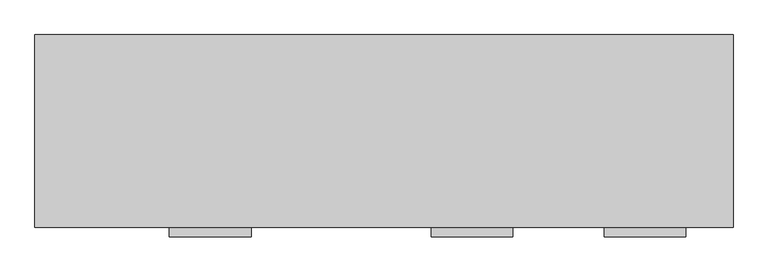
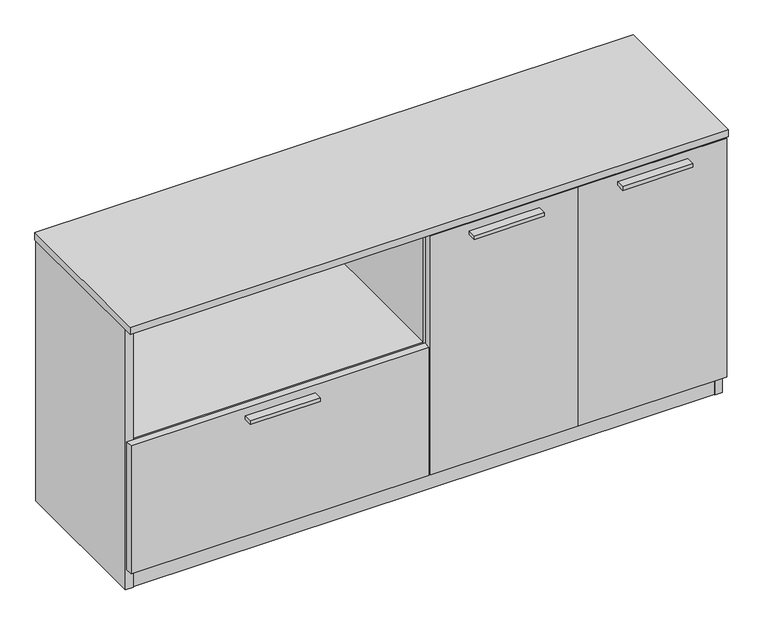
"""IFC4 building model written with IfcOpenShell, lengths in millimetres: furniture geometry."""

from ifc_helpers import new_model, si_unit, point, frame, frame_2d, origin, origin_with_axes, place, context, project, spatial, polyline, circle_curve, trimmed, segment, composite_curve, outline, extrude, source, transform, mapped, element, save


def furniture_f8c2cde9(model_context):
    return source(origin(), model_context, "Body", "SweptSolid", [
        extrude(outline(polyline([(469.8365, -447.8158592), (292.0365, -447.8158592), (292.0365, -425.5908592), (469.8365, -425.5908592), (469.8365, -447.8158592)])), frame((0.0, 0.0, 373.51208), z_axis=(0.0, 0.0, 1.0), x_axis=(1.0, 0.0, 0.0)), (0.0, 0.0, 1.0), 9.525),
        extrude(outline(polyline([(1038.9235, -447.8158592), (861.1235, -447.8158592), (861.1235, -425.5908592), (1038.9235, -425.5908592), (1038.9235, -447.8158592)])), frame((0.0, 0.0, 671.5125152), z_axis=(0.0, 0.0, 1.0), x_axis=(1.0, 0.0, 0.0)), (0.0, 0.0, 1.0), 9.525),
        extrude(outline(polyline([(1415.2245, -447.8158592), (1237.4245, -447.8158592), (1237.4245, -425.5908592), (1415.2245, -425.5908592), (1415.2245, -447.8158592)])), frame((0.0, 0.0, 671.5125152), z_axis=(0.0, 0.0, 1.0), x_axis=(1.0, 0.0, 0.0)), (0.0, 0.0, 1.0), 9.525),
        extrude(outline(composite_curve([segment(trimmed(circle_curve(frame_2d((758.825, -217.6283713)), 4.445), [point((763.27, -217.6283713))], [point((754.38, -217.6283713))], False, "CARTESIAN"), True, "CONTINUOUS"), segment(trimmed(circle_curve(frame_2d((758.825, -217.6283713)), 4.445), [point((754.38, -217.6283713))], [point((763.27, -217.6283713))], False, "CARTESIAN"), True, "CONTINUOUS")], self_intersect=False)), frame((0.0, 0.0, 7.112), z_axis=(0.0, 0.0, 1.0), x_axis=(1.0, 0.0, 0.0)), (0.0, 0.0, 1.0), 2.032),
        extrude(outline(polyline([(764.5122187, -207.7297009), (770.2272187, -217.6283713), (764.5122187, -227.5270417), (753.0822187, -227.5270417), (747.3672187, -217.6283713), (753.0822187, -207.7297009), (764.5122187, -207.7297009)])), origin_with_axes(), (0.0, 0.0, 1.0), 9.144),
        extrude(outline(composite_curve([segment(trimmed(circle_curve(frame_2d((720.598, -246.2033713)), 3.175), [point((720.598, -249.3783713))], [point((717.423, -246.2033713))], False, "CARTESIAN"), True, "CONTINUOUS"), segment(polyline([(717.423, -246.2033713), (717.423, -189.0533713)]), True, "CONTINUOUS"), segment(trimmed(circle_curve(frame_2d((720.598, -189.0533713)), 3.175), [point((717.423, -189.0533713))], [point((720.598, -185.8783713))], False, "CARTESIAN"), True, "CONTINUOUS"), segment(polyline([(720.598, -185.8783713), (797.052, -185.8783713)]), True, "CONTINUOUS"), segment(trimmed(circle_curve(frame_2d((797.052, -189.0533713)), 3.175), [point((797.052, -185.8783713))], [point((800.227, -189.0533713))], False, "CARTESIAN"), True, "CONTINUOUS"), segment(polyline([(800.227, -189.0533713), (800.227, -246.2033713)]), True, "CONTINUOUS"), segment(trimmed(circle_curve(frame_2d((797.052, -246.2033713)), 3.175), [point((800.227, -246.2033713))], [point((797.052, -249.3783713))], False, "CARTESIAN"), True, "CONTINUOUS"), segment(polyline([(797.052, -249.3783713), (720.598, -249.3783713)]), True, "CONTINUOUS")], self_intersect=False)), frame((0.0, 0.0, 58.3692), z_axis=(0.0, 0.0, 1.0), x_axis=(1.0, 0.0, 0.0)), (0.0, 0.0, 1.0), 1.89738),
        extrude(outline(composite_curve([segment(polyline([(770.255, -230.3283713), (747.395, -230.3283713)]), True, "CONTINUOUS"), segment(trimmed(circle_curve(frame_2d((747.395, -229.0583713)), 1.27), [point((747.395, -230.3283713))], [point((746.125, -229.0583713))], False, "CARTESIAN"), True, "CONTINUOUS"), segment(polyline([(746.125, -229.0583713), (746.125, -206.1983713)]), True, "CONTINUOUS"), segment(trimmed(circle_curve(frame_2d((747.395, -206.1983713)), 1.27), [point((746.125, -206.1983713))], [point((747.395, -204.9283713))], False, "CARTESIAN"), True, "CONTINUOUS"), segment(polyline([(747.395, -204.9283713), (770.255, -204.9283713)]), True, "CONTINUOUS"), segment(trimmed(circle_curve(frame_2d((770.255, -206.1983713)), 1.27), [point((770.255, -204.9283713))], [point((771.525, -206.1983713))], False, "CARTESIAN"), True, "CONTINUOUS"), segment(polyline([(771.525, -206.1983713), (771.525, -229.0583713)]), True, "CONTINUOUS"), segment(trimmed(circle_curve(frame_2d((770.255, -229.0583713)), 1.27), [point((771.525, -229.0583713))], [point((770.255, -230.3283713))], False, "CARTESIAN"), True, "CONTINUOUS")], self_intersect=False)), frame((0.0, 0.0, 9.144), z_axis=(0.0, 0.0, 1.0), x_axis=(1.0, 0.0, 0.0)), (0.0, 0.0, 1.0), 49.2252),
        extrude(outline(polyline([(1455.3192022, -345.6355984), (1471.26706, -336.4280984), (1487.2149178, -345.6355984), (1487.2149178, -364.0505984), (1471.26706, -373.2580984), (1455.3192022, -364.0505984), (1455.3192022, -345.6355984)])), origin_with_axes(), (0.0, 0.0, 1.0), 9.144),
        extrude(outline(polyline([(1455.3192022, -47.1181713), (1471.26706, -37.9106713), (1487.2149178, -47.1181713), (1487.2149178, -65.5331713), (1471.26706, -74.7406713), (1455.3192022, -65.5331713), (1455.3192022, -47.1181713)])), origin_with_axes(), (0.0, 0.0, 1.0), 9.144),
        extrude(outline(polyline([(30.4350822, -345.6355984), (46.38294, -336.4280984), (62.3307978, -345.6355984), (62.3307978, -364.0505984), (46.38294, -373.2580984), (30.4350822, -364.0505984), (30.4350822, -345.6355984)])), origin_with_axes(), (0.0, 0.0, 1.0), 9.144),
        extrude(outline(polyline([(30.4350822, -47.1181713), (46.38294, -37.9106713), (62.3307978, -47.1181713), (62.3307978, -65.5331713), (46.38294, -74.7406713), (30.4350822, -65.5331713), (30.4350822, -47.1181713)])), origin_with_axes(), (0.0, 0.0, 1.0), 9.144),
        extrude(outline(polyline([(1138.174, -406.2868776), (1514.475, -406.2868776), (1514.475, -425.5908592), (1138.174, -425.5908592), (1138.174, -406.2868776)])), frame((0.0, 0.0, 60.26658), z_axis=(0.0, 0.0, 1.0), x_axis=(1.0, 0.0, 0.0)), (0.0, 0.0, 1.0), 641.4084352),
        extrude(outline(polyline([(3.175, -406.2868776), (758.698, -406.2868776), (758.698, -425.5908592), (3.175, -425.5908592), (3.175, -406.2868776)])), frame((0.0, 0.0, 60.26658), z_axis=(0.0, 0.0, 1.0), x_axis=(1.0, 0.0, 0.0)), (0.0, 0.0, 1.0), 343.408),
        extrude(outline(polyline([(761.873, -406.2868776), (1138.174, -406.2868776), (1138.174, -425.5908592), (761.873, -425.5908592), (761.873, -406.2868776)])), frame((0.0, 0.0, 60.26658), z_axis=(0.0, 0.0, 1.0), x_axis=(1.0, 0.0, 0.0)), (0.0, 0.0, 1.0), 641.4084352),
        extrude(outline(polyline([(1496.7585154, -30.4938704), (1496.7585154, -402.7308447), (20.8915005, -402.7308447), (20.8915005, -30.4938704), (1496.7585154, -30.4938704)])), frame((0.0, 0.0, 685.546), z_axis=(0.0, 0.0, 1.0), x_axis=(1.0, 0.0, 0.0)), (0.0, 0.0, 1.0), 19.304),
        extrude(outline(polyline([(1496.7585154, -11.1898712), (1496.7585154, -30.4938704), (20.8915005, -30.4938704), (20.8915005, -11.1898712), (1496.7585154, -11.1898712)])), frame((0.0, 0.0, 4.699), z_axis=(0.0, 0.0, 1.0), x_axis=(1.0, 0.0, 0.0)), (0.0, 0.0, 1.0), 700.151),
        extrude(outline(polyline([(20.8915005, -9.6658713), (20.8915005, -403.1118534), (1.5875, -403.1118534), (1.5875, -9.6658713), (20.8915005, -9.6658713)])), frame((0.0, 0.0, 4.699), z_axis=(0.0, 0.0, 1.0), x_axis=(1.0, 0.0, 0.0)), (0.0, 0.0, 1.0), 700.151),
        extrude(outline(polyline([(1496.7585154, -9.6658713), (1516.0625158, -9.6658713), (1516.0625158, -403.1118534), (1496.7585154, -403.1118534), (1496.7585154, -9.6658713)])), frame((0.0, 0.0, 4.699), z_axis=(0.0, 0.0, 1.0), x_axis=(1.0, 0.0, 0.0)), (0.0, 0.0, 1.0), 700.151),
        extrude(outline(polyline([(1157.478, -30.4938704), (1157.478, -401.5878548), (1138.174, -401.5878548), (1138.174, -30.4938704), (1157.478, -30.4938704)])), frame((0.0, 0.0, 79.57058), z_axis=(0.0, 0.0, 1.0), x_axis=(1.0, 0.0, 0.0)), (0.0, 0.0, 1.0), 625.27942),
        extrude(outline(polyline([(1138.174, -30.4938704), (1138.174, -401.5878548), (1118.87, -401.5878548), (1118.87, -30.4938704), (1138.174, -30.4938704)])), frame((0.0, 0.0, 79.57058), z_axis=(0.0, 0.0, 1.0), x_axis=(1.0, 0.0, 0.0)), (0.0, 0.0, 1.0), 625.27942),
        extrude(outline(polyline([(778.002, -30.4938704), (778.002, -401.5878548), (758.698, -401.5878548), (758.698, -30.4938704), (778.002, -30.4938704)])), frame((0.0, 0.0, 79.57058), z_axis=(0.0, 0.0, 1.0), x_axis=(1.0, 0.0, 0.0)), (0.0, 0.0, 1.0), 625.27942),
        extrude(outline(polyline([(1496.7585154, -401.5878548), (20.8915005, -401.5878548), (20.8915005, -382.2838548), (1496.7585154, -382.2838548), (1496.7585154, -401.5878548)])), frame((0.0, 0.0, 4.699), z_axis=(0.0, 0.0, 1.0), x_axis=(1.0, 0.0, 0.0)), (0.0, 0.0, 1.0), 55.56758),
        extrude(outline(polyline([(758.698, -30.4938704), (758.698, -401.5878548), (739.394, -401.5878548), (739.394, -30.4938704), (758.698, -30.4938704)])), frame((0.0, 0.0, 79.57058), z_axis=(0.0, 0.0, 1.0), x_axis=(1.0, 0.0, 0.0)), (0.0, 0.0, 1.0), 304.8),
        extrude(outline(polyline([(758.698, -30.4938704), (758.698, -400.8258374), (20.8915, -400.8258374), (20.8915, -30.4938704), (758.698, -30.4938704)])), frame((0.0, 0.0, 384.37058), z_axis=(0.0, 0.0, 1.0), x_axis=(1.0, 0.0, 0.0)), (0.0, 0.0, 1.0), 19.304),
        extrude(outline(polyline([(1517.65, -8.0783713), (1517.65, -427.1783713), (0.0, -427.1783713), (0.0, -8.0783713), (1517.65, -8.0783713)])), frame((0.0, 0.0, 704.8500031), z_axis=(0.0, 0.0, 1.0), x_axis=(1.0, 0.0, 0.0)), (0.0, 0.0, 1.0), 19.3039969),
        extrude(outline(polyline([(1496.7585154, -30.4938704), (1496.7585154, -402.7308447), (20.8915005, -402.7308447), (20.8915005, -30.4938704), (1496.7585154, -30.4938704)])), frame((0.0, 0.0, 60.26658), z_axis=(0.0, 0.0, 1.0), x_axis=(1.0, 0.0, 0.0)), (0.0, 0.0, 1.0), 19.304),
    ])


if __name__ == "__main__":
    model = new_model("IFC4")
    model_context = context("Model", 3, world=origin())
    ifc_project = project(units=[si_unit("LENGTHUNIT", "METRE", prefix="MILLI")], contexts=[model_context])
    site = spatial("IfcSite", under=ifc_project)
    building = spatial("IfcBuilding", under=site)
    placement = place(None, origin())
    furniture_shape = furniture_f8c2cde9(model_context)
    element("IfcFurniture", 1, at=placement, inside=building, context=model_context, shape_type="MappedRepresentation", body=[
        mapped(furniture_shape, transform((0.0, 0.0, 0.0), x_axis=(1.0, 0.0, 0.0), y_axis=(0.0, 1.0, 0.0), z_axis=(0.0, 0.0, 1.0))),
    ])
    save(model, "model.ifc")
